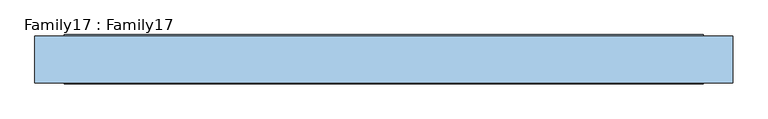
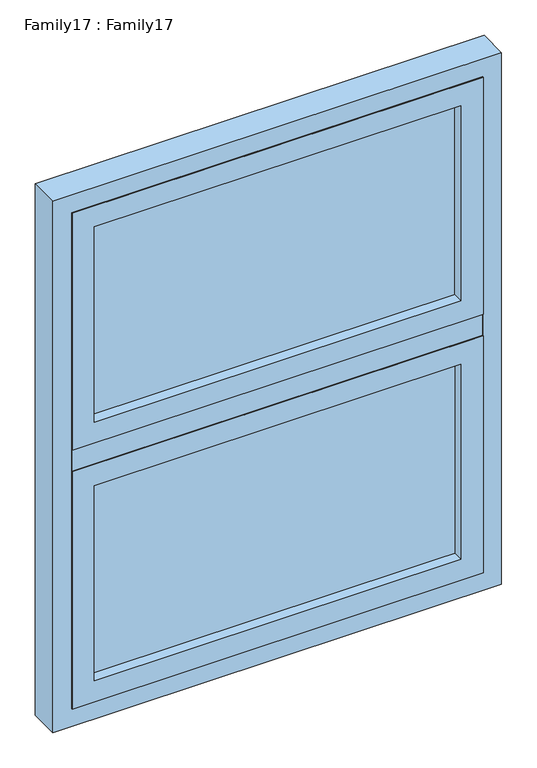
"""IFC4 building model written with IfcOpenShell, lengths in millimetres: window geometry, Family17 : Family17."""

from ifc_helpers import new_model, si_unit, frame, origin, place, context, project, spatial, polyline, outline, extrude, source, transform, mapped, element, save


def family17_family17_849a391a(model_context):
    return source(origin(), model_context, "Body", "SweptSolid", [
        extrude(outline(polyline([(486.0, -10.0), (486.0, -14.0), (-486.0, -14.0), (-486.0, -10.0), (486.0, -10.0)])), frame((0.0, 0.0, 909.0), z_axis=(0.0, 0.0, 1.0), x_axis=(1.0, 0.0, 0.0)), (0.0, 0.0, 1.0), 577.0),
        extrude(outline(polyline([(486.0, 14.0), (486.0, 10.0), (-486.0, 10.0), (-486.0, 14.0), (486.0, 14.0)])), frame((0.0, 0.0, 909.0), z_axis=(0.0, 0.0, 1.0), x_axis=(1.0, 0.0, 0.0)), (0.0, 0.0, 1.0), 577.0),
        extrude(outline(polyline([(1515.0, 545.0), (1515.0, -545.0), (850.0, -545.0), (850.0, 545.0), (1515.0, 545.0)]), holes=[polyline([(909.0, 486.0), (909.0, -486.0), (1456.0, -486.0), (1456.0, 486.0), (909.0, 486.0)])]), frame((0.0, -42.0, 0.0), z_axis=(0.0, 1.0, 0.0), x_axis=(0.0, 0.0, 1.0)), (0.0, 0.0, 1.0), 84.0),
        extrude(outline(polyline([(2240.0, 545.0), (2240.0, -545.0), (1575.0, -545.0), (1575.0, 545.0), (2240.0, 545.0)]), holes=[polyline([(1634.0, 486.0), (1634.0, -486.0), (2181.0, -486.0), (2181.0, 486.0), (1634.0, 486.0)])]), frame((0.0, -42.0, 0.0), z_axis=(0.0, 1.0, 0.0), x_axis=(0.0, 0.0, 1.0)), (0.0, 0.0, 1.0), 84.0),
        extrude(outline(polyline([(2290.0, 595.0), (2290.0, -595.0), (800.0, -595.0), (800.0, 595.0), (2290.0, 595.0)]), holes=[polyline([(850.0, 545.0), (850.0, -545.0), (2240.0, -545.0), (2240.0, 545.0), (850.0, 545.0)])]), frame((0.0, -40.0, 0.0), z_axis=(0.0, 1.0, 0.0), x_axis=(0.0, 0.0, 1.0)), (0.0, 0.0, 1.0), 80.0),
        extrude(outline(polyline([(486.0, -10.0), (486.0, -14.0), (-486.0, -14.0), (-486.0, -10.0), (486.0, -10.0)])), frame((0.0, 0.0, 1634.0), z_axis=(0.0, 0.0, 1.0), x_axis=(1.0, 0.0, 0.0)), (0.0, 0.0, 1.0), 547.0),
        extrude(outline(polyline([(486.0, 14.0), (486.0, 10.0), (-486.0, 10.0), (-486.0, 14.0), (486.0, 14.0)])), frame((0.0, 0.0, 1634.0), z_axis=(0.0, 0.0, 1.0), x_axis=(1.0, 0.0, 0.0)), (0.0, 0.0, 1.0), 547.0),
        extrude(outline(polyline([(545.0, -40.0), (-545.0, -40.0), (-545.0, 40.0), (545.0, 40.0), (545.0, -40.0)])), frame((0.0, 0.0, 1515.0), z_axis=(0.0, 0.0, 1.0), x_axis=(1.0, 0.0, 0.0)), (0.0, 0.0, 1.0), 60.0),
    ])


if __name__ == "__main__":
    model = new_model("IFC4")
    model_context = context("Model", 3, world=origin())
    ifc_project = project(units=[si_unit("LENGTHUNIT", "METRE", prefix="MILLI")], contexts=[model_context])
    site = spatial("IfcSite", under=ifc_project)
    building = spatial("IfcBuilding", under=site)
    placement = place(None, origin())
    family17_family17_shape = family17_family17_849a391a(model_context)
    element("IfcWindow", 1, ObjectType="Family17 : Family17", at=placement, inside=building, context=model_context, shape_type="MappedRepresentation", body=[
        mapped(family17_family17_shape, transform((0.0, 0.0, 0.0), x_axis=(1.0, 0.0, 0.0), y_axis=(0.0, 1.0, 0.0), z_axis=(0.0, 0.0, 1.0))),
    ])
    save(model, "model.ifc")
